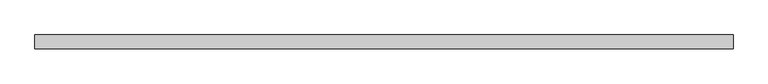
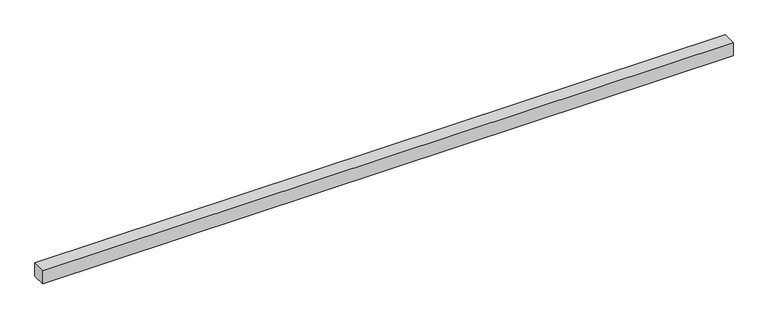
"""IFC4 building model written with IfcOpenShell, lengths in millimetres: beam geometry."""

from ifc_helpers import new_model, si_unit, frame, origin, place, context, project, spatial, polyline, outline, extrude, source, transform, mapped, element, save


def beam_23f9e6a2(model_context):
    return source(origin(), model_context, "Body", "SweptSolid", [
        extrude(outline(polyline([(1217.0246449, 25.0), (1217.0246449, -25.0), (-1282.9753551, -25.0), (-1282.9753551, 25.0), (1217.0246449, 25.0)])), frame((0.0, 0.0, -25.0), z_axis=(0.0, 0.0, 1.0), x_axis=(1.0, 0.0, 0.0)), (0.0, 0.0, 1.0), 50.0),
    ])


if __name__ == "__main__":
    model = new_model("IFC4")
    model_context = context("Model", 3, world=origin())
    ifc_project = project(units=[si_unit("LENGTHUNIT", "METRE", prefix="MILLI")], contexts=[model_context])
    site = spatial("IfcSite", under=ifc_project)
    building = spatial("IfcBuilding", under=site)
    placement = place(None, origin())
    beam_shape = beam_23f9e6a2(model_context)
    element("IfcBeam", 1, at=placement, inside=building, context=model_context, shape_type="MappedRepresentation", body=[
        mapped(beam_shape, transform((0.0, 0.0, 0.0), x_axis=(1.0, 0.0, 0.0), y_axis=(0.0, 1.0, 0.0), z_axis=(0.0, 0.0, 1.0))),
    ])
    save(model, "model.ifc")
